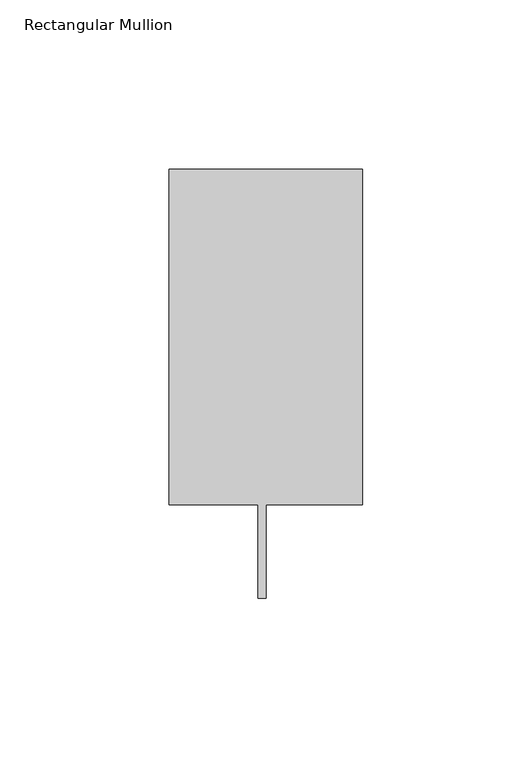
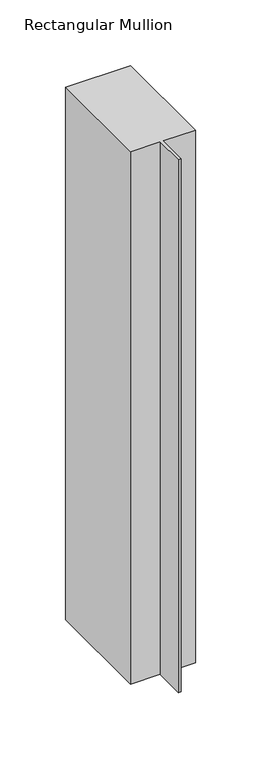
"""IFC4 building model written with IfcOpenShell, lengths in millimetres: member geometry, Rectangular Mullion."""

from ifc_helpers import new_model, si_unit, frame, origin, place, context, project, spatial, polyline, outline, extrude, source, transform, mapped, element, save


def rectangular_mullion_321a5e19(model_context):
    return source(origin(), model_context, "Body", "SweptSolid", [
        extrude(outline(polyline([(0.0, 138.3252808), (0.0, 39.3898437), (-28.575, 39.3898437), (-28.575, 11.7038437), (-30.9626, 11.7038437), (-30.9626, 39.3898437), (-57.15, 39.3898438), (-57.15, 138.3252808), (0.0, 138.3252808)])), frame((0.0, 0.0, -495.3), z_axis=(0.0, 0.0, 1.0), x_axis=(1.0, 0.0, 0.0)), (0.0, 0.0, 1.0), 495.3),
    ])


if __name__ == "__main__":
    model = new_model("IFC4")
    model_context = context("Model", 3, world=origin())
    ifc_project = project(units=[si_unit("LENGTHUNIT", "METRE", prefix="MILLI")], contexts=[model_context])
    site = spatial("IfcSite", under=ifc_project)
    building = spatial("IfcBuilding", under=site)
    placement = place(None, origin())
    rectangular_mullion_shape = rectangular_mullion_321a5e19(model_context)
    element("IfcMember", 1, ObjectType="Rectangular Mullion", at=placement, inside=building, context=model_context, shape_type="MappedRepresentation", body=[
        mapped(rectangular_mullion_shape, transform((0.0, 0.0, 0.0), x_axis=(1.0, 0.0, 0.0), y_axis=(0.0, 1.0, 0.0), z_axis=(0.0, 0.0, 1.0))),
    ])
    save(model, "model.ifc")
